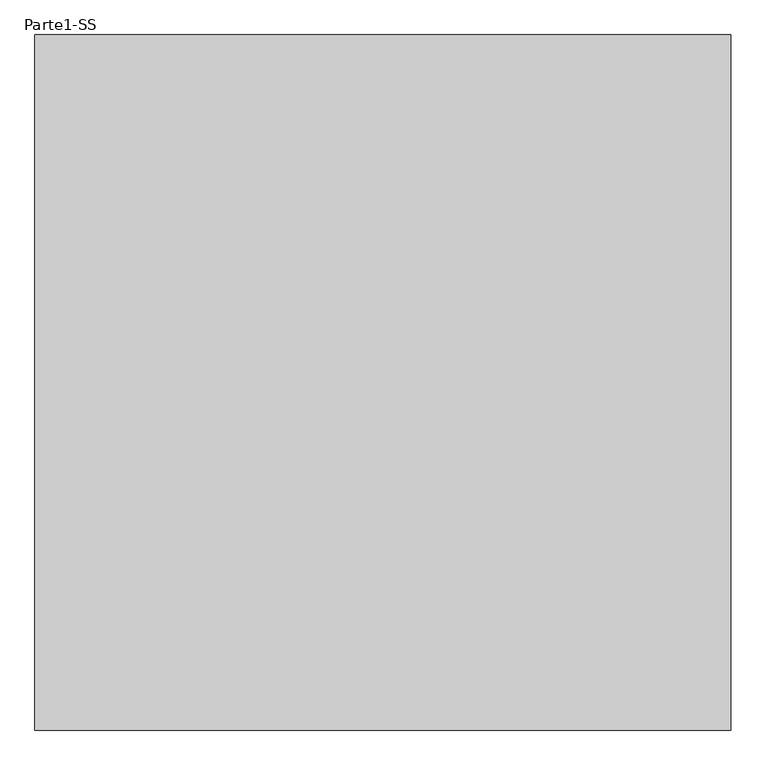
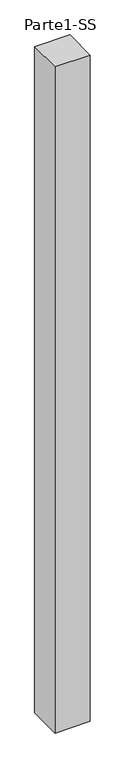
"""IFC4 building model written with IfcOpenShell, lengths in millimetres: proxy geometry, Parte1-SS."""

from ifc_helpers import new_model, si_unit, origin, origin_with_axes, place, context, project, spatial, polyline, outline, extrude, source, transform, mapped, element, save


def parte1_ss_1040c57a(model_context):
    return source(origin(), model_context, "Body", "SweptSolid", [
        extrude(outline(polyline([(4000.0, 4000.0), (4000.0, 0.0), (0.0, 0.0), (0.0, 4000.0), (4000.0, 4000.0)])), origin_with_axes(), (0.0, 0.0, 1.0), 80000.0),
    ])


if __name__ == "__main__":
    model = new_model("IFC4")
    model_context = context("Model", 3, world=origin())
    ifc_project = project(units=[si_unit("LENGTHUNIT", "METRE", prefix="MILLI")], contexts=[model_context])
    site = spatial("IfcSite", under=ifc_project)
    building = spatial("IfcBuilding", under=site)
    placement = place(None, origin())
    parte1_ss_shape = parte1_ss_1040c57a(model_context)
    element("IfcBuildingElementProxy", 1, Name="Parte1-SS", ObjectType="Parte1-SS", at=placement, inside=building, context=model_context, shape_type="MappedRepresentation", body=[
        mapped(parte1_ss_shape, transform((0.0, 0.0, 0.0), x_axis=(1.0, 0.0, 0.0), y_axis=(0.0, 1.0, 0.0), z_axis=(0.0, 0.0, 1.0))),
    ])
    save(model, "model.ifc")
